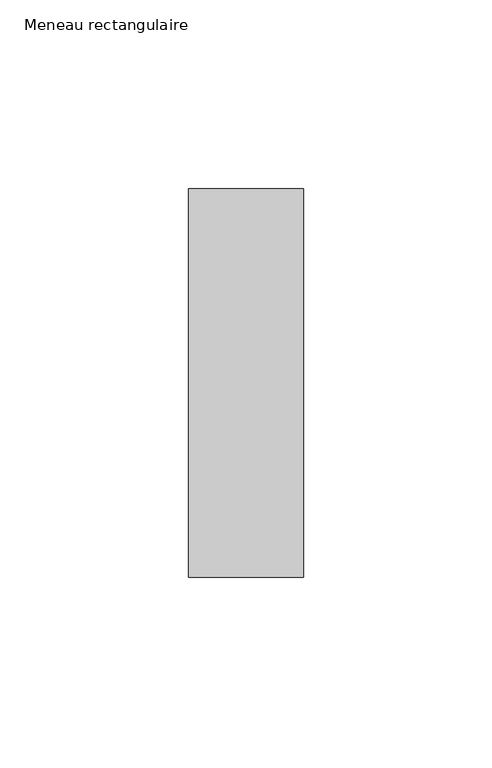
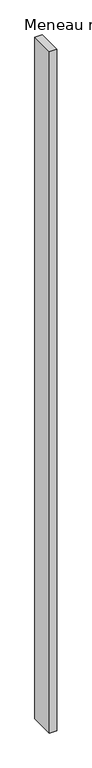
"""IFC4 building model written with IfcOpenShell, lengths in millimetres: member geometry, Meneau rectangulaire."""

from ifc_helpers import new_model, si_unit, frame, origin, place, context, project, spatial, polyline, outline, extrude, source, transform, mapped, element, save


def meneau_rectangulaire_a89f432f(model_context):
    return source(origin(), model_context, "Body", "SweptSolid", [
        extrude(outline(polyline([(-15.25, 51.4150874), (15.25, 51.4150874), (15.25, -51.5849126), (-15.25, -51.5849126), (-15.25, 51.4150874)])), frame((0.0, 0.0, -2947.7), z_axis=(0.0, 0.0, 1.0), x_axis=(1.0, 0.0, 0.0)), (0.0, 0.0, 1.0), 2947.7),
    ])


if __name__ == "__main__":
    model = new_model("IFC4")
    model_context = context("Model", 3, world=origin())
    ifc_project = project(units=[si_unit("LENGTHUNIT", "METRE", prefix="MILLI")], contexts=[model_context])
    site = spatial("IfcSite", under=ifc_project)
    building = spatial("IfcBuilding", under=site)
    placement = place(None, origin())
    meneau_rectangulaire_shape = meneau_rectangulaire_a89f432f(model_context)
    element("IfcMember", 1, ObjectType="Meneau rectangulaire", at=placement, inside=building, context=model_context, shape_type="MappedRepresentation", body=[
        mapped(meneau_rectangulaire_shape, transform((0.0, 0.0, 0.0), x_axis=(1.0, 0.0, 0.0), y_axis=(0.0, 1.0, 0.0), z_axis=(0.0, 0.0, 1.0))),
    ])
    save(model, "model.ifc")
